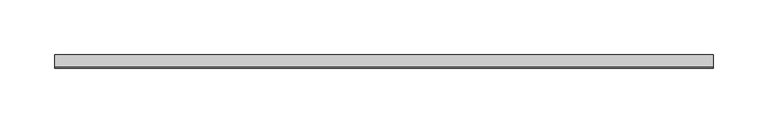
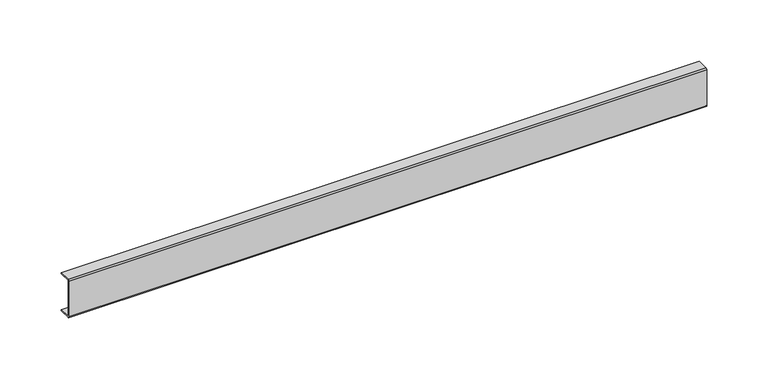
"""IFC4 building model written with IfcOpenShell, lengths in millimetres: proxy geometry."""

from ifc_helpers import new_model, si_unit, point, frame, frame_2d, origin, place, context, project, spatial, polyline, circle_curve, trimmed, segment, composite_curve, outline, extrude, source, transform, mapped, element, save


def mechanical_equipment_1acac2e2(model_context):
    return source(origin(), model_context, "Body", "SweptSolid", [
        extrude(outline(composite_curve([segment(polyline([(6.0, 36.8), (-4.8, 36.8), (-4.8, 1.2), (6.0, 1.2), (6.0, 0.0), (-4.8, 0.0)]), True, "CONTINUOUS"), segment(trimmed(circle_curve(frame_2d((-4.8, 1.2)), 1.2), [point((-4.8, 0.0))], [point((-6.0, 1.2))], False, "CARTESIAN"), True, "CONTINUOUS"), segment(polyline([(-6.0, 1.2), (-6.0, 36.8)]), True, "CONTINUOUS"), segment(trimmed(circle_curve(frame_2d((-4.8, 36.8)), 1.2), [point((-6.0, 36.8))], [point((-4.8, 38.0))], False, "CARTESIAN"), True, "CONTINUOUS"), segment(polyline([(-4.8, 38.0), (6.0, 38.0), (6.0, 36.8)]), True, "CONTINUOUS")], self_intersect=False)), frame((0.0, 0.0, 0.0), z_axis=(1.0, 0.0, 0.0), x_axis=(0.0, 1.0, 0.0)), (0.0, 0.0, 1.0), 600.0),
    ])


if __name__ == "__main__":
    model = new_model("IFC4")
    model_context = context("Model", 3, world=origin())
    ifc_project = project(units=[si_unit("LENGTHUNIT", "METRE", prefix="MILLI")], contexts=[model_context])
    site = spatial("IfcSite", under=ifc_project)
    building = spatial("IfcBuilding", under=site)
    placement = place(None, origin())
    mechanical_equipment_shape = mechanical_equipment_1acac2e2(model_context)
    element("IfcBuildingElementProxy", 1, Name="Mechanical Equipment", at=placement, inside=building, context=model_context, shape_type="MappedRepresentation", body=[
        mapped(mechanical_equipment_shape, transform((0.0, 0.0, 0.0), x_axis=(1.0, 0.0, 0.0), y_axis=(0.0, 1.0, 0.0), z_axis=(0.0, 0.0, 1.0))),
    ])
    save(model, "model.ifc")
